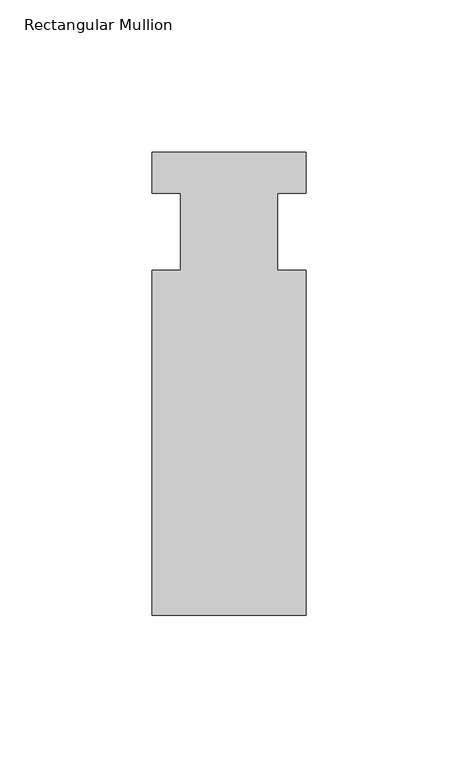
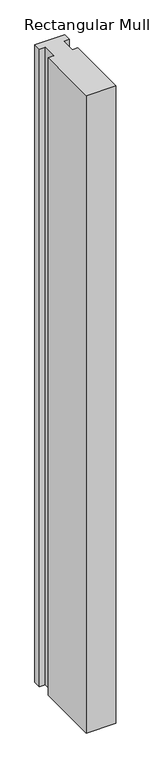
"""IFC4 building model written with IfcOpenShell, lengths in millimetres: member geometry, Rectangular Mullion."""

from ifc_helpers import new_model, si_unit, frame, origin, place, context, project, spatial, polyline, outline, extrude, source, transform, mapped, element, save


def rectangular_mullion_eed2e93f(model_context):
    return source(origin(), model_context, "Body", "SweptSolid", [
        extrude(outline(polyline([(-25.4, 26.19375), (25.4, 26.19375), (25.4, 12.7), (15.875, 12.7), (15.875, -12.7), (25.4, -12.7), (25.4, -126.20625), (-25.4, -126.20625), (-25.4, -12.7), (-15.875, -12.7), (-15.875, 12.7), (-25.4, 12.7), (-25.4, 26.19375)])), frame((0.0, 0.0, -1155.7), z_axis=(0.0, 0.0, 1.0), x_axis=(1.0, 0.0, 0.0)), (0.0, 0.0, 1.0), 1155.7),
    ])


if __name__ == "__main__":
    model = new_model("IFC4")
    model_context = context("Model", 3, world=origin())
    ifc_project = project(units=[si_unit("LENGTHUNIT", "METRE", prefix="MILLI")], contexts=[model_context])
    site = spatial("IfcSite", under=ifc_project)
    building = spatial("IfcBuilding", under=site)
    placement = place(None, origin())
    rectangular_mullion_shape = rectangular_mullion_eed2e93f(model_context)
    element("IfcMember", 1, ObjectType="Rectangular Mullion", at=placement, inside=building, context=model_context, shape_type="MappedRepresentation", body=[
        mapped(rectangular_mullion_shape, transform((0.0, 0.0, 0.0), x_axis=(1.0, 0.0, 0.0), y_axis=(0.0, 1.0, 0.0), z_axis=(0.0, 0.0, 1.0))),
    ])
    save(model, "model.ifc")
